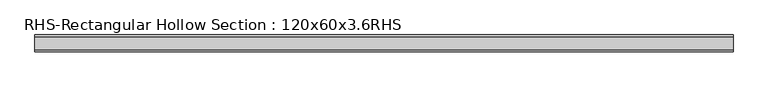
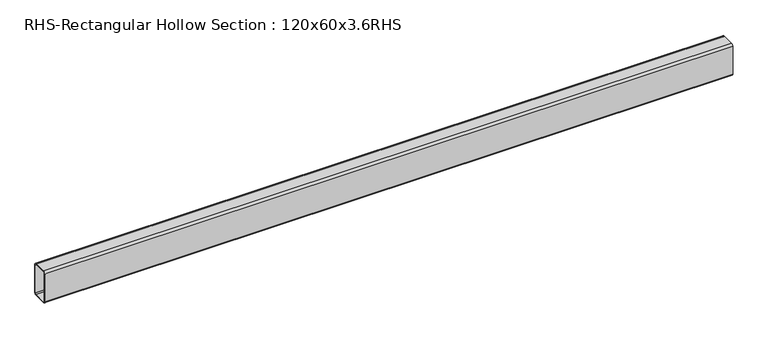
"""IFC4 building model written with IfcOpenShell, lengths in millimetres: beam geometry, RHS-Rectangular Hollow Section : 120x60x3.6RHS."""

from ifc_helpers import new_model, si_unit, point, frame, frame_2d, origin, place, context, project, spatial, polyline, circle_curve, trimmed, segment, composite_curve, outline, extrude, source, transform, mapped, element, save


def rhs_rectangular_hollow_section_120x60x3_6rhs_3a6bb402(model_context):
    return source(origin(), model_context, "Body", "SweptSolid", [
        extrude(outline(composite_curve([segment(polyline([(30.0, 52.8), (30.0, -52.8)]), True, "CONTINUOUS"), segment(trimmed(circle_curve(frame_2d((22.8, -52.8)), 7.2), [point((30.0, -52.8))], [point((22.8, -60.0))], False, "CARTESIAN"), True, "CONTINUOUS"), segment(polyline([(22.8, -60.0), (-22.8, -60.0)]), True, "CONTINUOUS"), segment(trimmed(circle_curve(frame_2d((-22.8, -52.8)), 7.2), [point((-22.8, -60.0))], [point((-30.0, -52.8))], False, "CARTESIAN"), True, "CONTINUOUS"), segment(polyline([(-30.0, -52.8), (-30.0, 52.8)]), True, "CONTINUOUS"), segment(trimmed(circle_curve(frame_2d((-22.8, 52.8)), 7.2), [point((-30.0, 52.8))], [point((-22.8, 60.0))], False, "CARTESIAN"), True, "CONTINUOUS"), segment(polyline([(-22.8, 60.0), (22.8, 60.0)]), True, "CONTINUOUS"), segment(trimmed(circle_curve(frame_2d((22.8, 52.8)), 7.2), [point((22.8, 60.0))], [point((30.0, 52.8))], False, "CARTESIAN"), True, "CONTINUOUS")], self_intersect=False), holes=[composite_curve([segment(trimmed(circle_curve(frame_2d((-22.8, 52.8)), 3.6), [point((-22.8, 56.4))], [point((-26.4, 52.8))], True, "CARTESIAN"), True, "CONTINUOUS"), segment(polyline([(-26.4, 52.8), (-26.4, -52.8)]), True, "CONTINUOUS"), segment(trimmed(circle_curve(frame_2d((-22.8, -52.8)), 3.6), [point((-26.4, -52.8))], [point((-22.8, -56.4))], True, "CARTESIAN"), True, "CONTINUOUS"), segment(polyline([(-22.8, -56.4), (22.8, -56.4)]), True, "CONTINUOUS"), segment(trimmed(circle_curve(frame_2d((22.8, -52.8)), 3.6), [point((22.8, -56.4))], [point((26.4, -52.8))], True, "CARTESIAN"), True, "CONTINUOUS"), segment(polyline([(26.4, -52.8), (26.4, 52.8)]), True, "CONTINUOUS"), segment(trimmed(circle_curve(frame_2d((22.8, 52.8)), 3.6), [point((26.4, 52.8))], [point((22.8, 56.4))], True, "CARTESIAN"), True, "CONTINUOUS"), segment(polyline([(22.8, 56.4), (-22.8, 56.4)]), True, "CONTINUOUS")], self_intersect=False)]), frame((-1164.3706814, 0.0, 0.0), z_axis=(1.0, 0.0, 0.0), x_axis=(0.0, 1.0, 0.0)), (0.0, 0.0, 1.0), 2471.5177056),
    ])


if __name__ == "__main__":
    model = new_model("IFC4")
    model_context = context("Model", 3, world=origin())
    ifc_project = project(units=[si_unit("LENGTHUNIT", "METRE", prefix="MILLI")], contexts=[model_context])
    site = spatial("IfcSite", under=ifc_project)
    building = spatial("IfcBuilding", under=site)
    placement = place(None, origin())
    rhs_rectangular_hollow_section_120x60x3_6rhs_shape = rhs_rectangular_hollow_section_120x60x3_6rhs_3a6bb402(model_context)
    element("IfcBeam", 1, ObjectType="RHS-Rectangular Hollow Section : 120x60x3.6RHS", at=placement, inside=building, context=model_context, shape_type="MappedRepresentation", body=[
        mapped(rhs_rectangular_hollow_section_120x60x3_6rhs_shape, transform((0.0, 0.0, 0.0), x_axis=(1.0, 0.0, 0.0), y_axis=(0.0, 1.0, 0.0), z_axis=(0.0, 0.0, 1.0))),
    ])
    save(model, "model.ifc")
